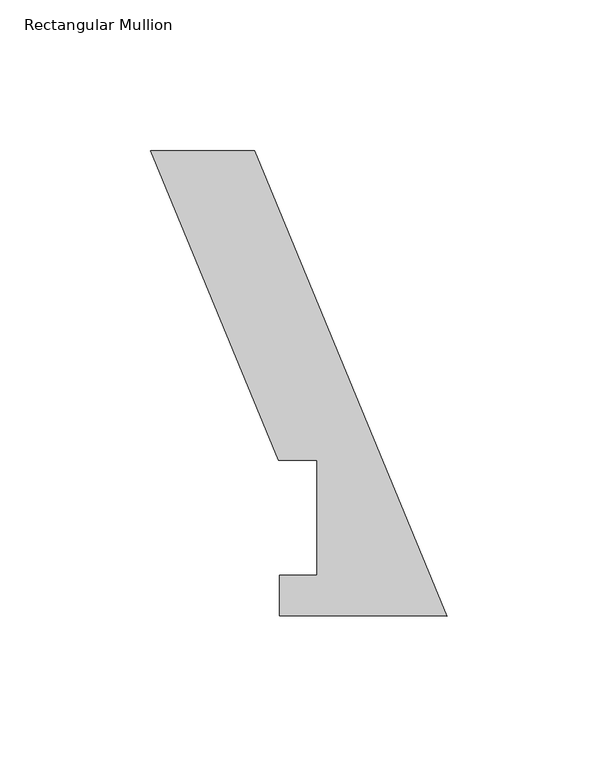
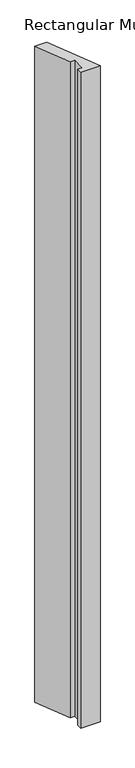
"""IFC4 building model written with IfcOpenShell, lengths in millimetres: member geometry, Rectangular Mullion."""

import ifcopenshell
import ifcopenshell.guid

model = None  # the IFC model being written
_history = None  # IfcOwnerHistory: only IFC2X3 demands one
_inside = {}  # id of a spatial element -> (the spatial element, [elements in it])
_under = {}  # id of a project, library or spatial element -> (it, [spatial elements below it])
_declared = {}  # id of a project -> (the project, [libraries it declares])
_typed = {}  # id of a type object -> (the type object, [elements of that type])
_made_of = {}  # id of a material, layer set ... -> (it, [elements and type objects made of it])


def new_model(schema):
    """Start an empty IFC model of exactly this schema.

    Asked for "IFC4X3", IfcOpenShell would pick the latest addendum, in which some entities
    have other attributes; the version numbers below select the first issue.
    IFC2X3 requires an IfcOwnerHistory on every rooted entity: one is made here for all.
    """
    global model, _history
    if schema == "IFC4X3":
        model = ifcopenshell.file(schema_version=(4, 3, 0, 0))
    else:
        model = ifcopenshell.file(schema=schema)
    _inside.clear()
    _under.clear()
    _declared.clear()
    _typed.clear()
    _made_of.clear()
    _history = None
    if model.schema == "IFC2X3":
        org = make("IfcOrganization", Name="unknown")
        user = make(
            "IfcPersonAndOrganization",
            ThePerson=make("IfcPerson", FamilyName="unknown"),
            TheOrganization=org,
        )
        app = make(
            "IfcApplication",
            ApplicationDeveloper=org,
            Version="unknown",
            ApplicationFullName="unknown",
            ApplicationIdentifier="unknown",
        )
        _history = make(
            "IfcOwnerHistory",
            OwningUser=user,
            OwningApplication=app,
            ChangeAction="ADDED",
            CreationDate=0,
        )
    return model


def make(cls, **values):
    """One entity of the class cls with the attributes given. An attribute that is None is left unset."""
    return model.create_entity(
        cls, **{name: value for name, value in values.items() if value is not None}
    )


def rooted(cls, **values):
    """An entity with a GlobalId (a new one), such as an element, a storey or a relation."""
    return make(cls, GlobalId=ifcopenshell.guid.new(), OwnerHistory=_history, **values)


def si_unit(unit_type, name, prefix=None):
    """IfcSIUnit, for example si_unit("LENGTHUNIT", "METRE", prefix="MILLI")."""
    return make("IfcSIUnit", UnitType=unit_type, Prefix=prefix, Name=name)


def assignment(units):
    """IfcUnitAssignment: the units of a project."""
    return None if units is None else make("IfcUnitAssignment", Units=units)


def point(xyz):
    """IfcCartesianPoint."""
    return None if xyz is None else make("IfcCartesianPoint", Coordinates=xyz)


def direction(xyz):
    """IfcDirection."""
    return None if xyz is None else make("IfcDirection", DirectionRatios=xyz)


def frame(location, z_axis=None, x_axis=None):
    """IfcAxis2Placement3D, a coordinate frame: its origin and axes. An axis left out is left unset."""
    return make(
        "IfcAxis2Placement3D",
        Location=point(location),
        Axis=direction(z_axis),
        RefDirection=direction(x_axis),
    )


def origin():
    """The frame at (0, 0, 0) with its axes left unset."""
    return frame((0.0, 0.0, 0.0))


def place(relative_to, where):
    """IfcLocalPlacement: puts the frame where relative to a parent placement (None: the world)."""
    return make(
        "IfcLocalPlacement", PlacementRelTo=relative_to, RelativePlacement=where
    )


def context(
    kind, dimensions, precision=None, world=None, true_north=None, identifier=None
):
    """IfcGeometricRepresentationContext, for example the 3D "Model" context."""
    return make(
        "IfcGeometricRepresentationContext",
        ContextIdentifier=identifier,
        ContextType=kind,
        CoordinateSpaceDimension=dimensions,
        Precision=precision,
        WorldCoordinateSystem=world,
        TrueNorth=true_north,
    )


def project(units=None, contexts=None):
    """IfcProject with its units and contexts."""
    return rooted(
        "IfcProject",
        Name="project",
        RepresentationContexts=contexts,
        UnitsInContext=assignment(units),
    )


def spatial(cls, under=None, at=None, **own):
    """A site, building, storey or space (cls), placed at a placement, below another one or the project."""
    s = rooted(cls, ObjectPlacement=at, **own)
    if under is not None:
        _under.setdefault(under.id(), (under, []))[1].append(s)
    return s


def polyline(points):
    """IfcPolyline through the points."""
    return make("IfcPolyline", Points=[point(p) for p in points])


def outline(outer, holes=None, kind="AREA"):
    """IfcArbitraryClosedProfileDef: a profile drawn as a closed curve; with holes, ...WithVoids."""
    if holes is None:
        return make("IfcArbitraryClosedProfileDef", ProfileType=kind, OuterCurve=outer)
    return make(
        "IfcArbitraryProfileDefWithVoids",
        ProfileType=kind,
        OuterCurve=outer,
        InnerCurves=holes,
    )


def extrude(swept, where, along, depth):
    """IfcExtrudedAreaSolid: the profile swept, set in the frame where, extruded along a direction by depth."""
    return make(
        "IfcExtrudedAreaSolid",
        SweptArea=swept,
        Position=where,
        ExtrudedDirection=direction(along),
        Depth=depth,
    )


def shape(context_of_items, identifier, shape_type, items):
    """IfcShapeRepresentation: the items that make up one representation, for example the "Body"."""
    return make(
        "IfcShapeRepresentation",
        ContextOfItems=context_of_items,
        RepresentationIdentifier=identifier,
        RepresentationType=shape_type,
        Items=items,
    )


def source(mapping_origin, context_of_items, identifier, shape_type, items):
    """IfcRepresentationMap: a shape defined once, which mapped items show again and again."""
    return make(
        "IfcRepresentationMap",
        MappingOrigin=mapping_origin,
        MappedRepresentation=shape(context_of_items, identifier, shape_type, items),
    )


def transform(
    local_origin,
    x_axis=None,
    y_axis=None,
    z_axis=None,
    scale=None,
    scale2=None,
    scale3=None,
    uniform=True,
):
    """IfcCartesianTransformationOperator3D, or its non-uniform kind. x_axis, y_axis, z_axis: its Axis1, 2, 3."""
    if uniform:
        return make(
            "IfcCartesianTransformationOperator3D",
            Axis1=direction(x_axis),
            Axis2=direction(y_axis),
            LocalOrigin=point(local_origin),
            Scale=scale,
            Axis3=direction(z_axis),
        )
    return make(
        "IfcCartesianTransformationOperator3DnonUniform",
        Axis1=direction(x_axis),
        Axis2=direction(y_axis),
        LocalOrigin=point(local_origin),
        Scale=scale,
        Axis3=direction(z_axis),
        Scale2=scale2,
        Scale3=scale3,
    )


def mapped(mapping_source, mapping_target):
    """IfcMappedItem: shows the shape of a source again, moved by a transform."""
    return make(
        "IfcMappedItem", MappingSource=mapping_source, MappingTarget=mapping_target
    )


def made_of(thing, what):
    """Note that an element or type object is made of a material, layer set ...; save() writes the relation."""
    if what is not None:
        _made_of.setdefault(what.id(), (what, []))[1].append(thing)
    return thing


def element(
    cls,
    number,
    at=None,
    inside=None,
    cuts=None,
    type_object=None,
    material=None,
    context=None,
    identifier="Body",
    shape_type=None,
    held_by="IfcProductDefinitionShape",
    body=None,
    shapes=None,
    **own,
):
    """One element of the class cls, such as IfcWall. Its Tag is "e" and its number.

    at: its placement. inside: the storey or other place that contains it. cuts: it is an
    opening in that element (IfcRelVoidsElement). A single representation is given by context,
    identifier, shape_type and body (its items); several are given by shapes. held_by: the class
    of the entity that holds the representations. save() writes the other relations.
    """
    e = rooted(cls, Tag="e%d" % number, ObjectPlacement=at, **own)
    if body is not None:
        shapes = [shape(context, identifier, shape_type, body)]
    if shapes is not None:
        e.Representation = make(held_by, Representations=shapes)
    if inside is not None:
        _inside.setdefault(inside.id(), (inside, []))[1].append(e)
    if cuts is not None:
        rooted(
            "IfcRelVoidsElement", RelatingBuildingElement=cuts, RelatedOpeningElement=e
        )
    if type_object is not None:
        _typed.setdefault(type_object.id(), (type_object, []))[1].append(e)
    return made_of(e, material)


def aggregate(whole, parts):
    """IfcRelAggregates: a whole, such as a stair, and the parts it consists of."""
    return rooted("IfcRelAggregates", RelatingObject=whole, RelatedObjects=parts)


def save(model, path):
    """Write the relations noted so far, then the file.

    IfcRelAggregates (storeys below a building ...), IfcRelContainedInSpatialStructure (elements
    in a storey), IfcRelDefinesByType, IfcRelAssociatesMaterial and IfcRelDeclares: one each for
    every whole, place, type object, material and project.
    """
    for whole, parts in _under.values():
        aggregate(whole, parts)
    for where, things in _inside.values():
        rooted(
            "IfcRelContainedInSpatialStructure",
            RelatedElements=things,
            RelatingStructure=where,
        )
    for kind, things in _typed.values():
        rooted("IfcRelDefinesByType", RelatedObjects=things, RelatingType=kind)
    for what, things in _made_of.values():
        rooted("IfcRelAssociatesMaterial", RelatedObjects=things, RelatingMaterial=what)
    for by, libraries in _declared.values():
        rooted("IfcRelDeclares", RelatingContext=by, RelatedDefinitions=libraries)
    model.write(path)


def rectangular_mullion_b745fcf9(model_context):
    return source(origin(), model_context, "Body", "SweptSolid", [
        extrude(outline(polyline([(0.0, 0.0293687), (-55.5502881, 0.0542806), (-55.5502881, 13.6178806), (-43.0055736, 13.6178806), (-43.0055736, 51.6929687), (-55.7657162, 51.6929688), (-98.2041999, 154.1485318), (-63.8382476, 154.1485318), (0.0, 0.0293687)])), frame((0.0, 0.0, -1993.9), z_axis=(0.0, 0.0, 1.0), x_axis=(1.0, 0.0, 0.0)), (0.0, 0.0, 1.0), 1993.9),
    ])


if __name__ == "__main__":
    model = new_model("IFC4")
    model_context = context("Model", 3, world=origin())
    ifc_project = project(units=[si_unit("LENGTHUNIT", "METRE", prefix="MILLI")], contexts=[model_context])
    site = spatial("IfcSite", under=ifc_project)
    building = spatial("IfcBuilding", under=site)
    placement = place(None, origin())
    rectangular_mullion_shape = rectangular_mullion_b745fcf9(model_context)
    element("IfcMember", 1, ObjectType="Rectangular Mullion", at=placement, inside=building, context=model_context, shape_type="MappedRepresentation", body=[
        mapped(rectangular_mullion_shape, transform((0.0, 0.0, 0.0), x_axis=(1.0, 0.0, 0.0), y_axis=(0.0, 1.0, 0.0), z_axis=(0.0, 0.0, 1.0))),
    ])
    save(model, "model.ifc")
